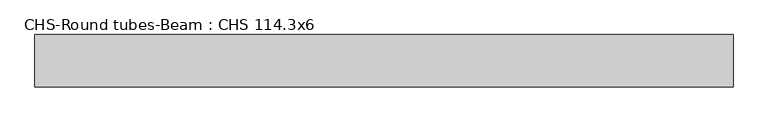
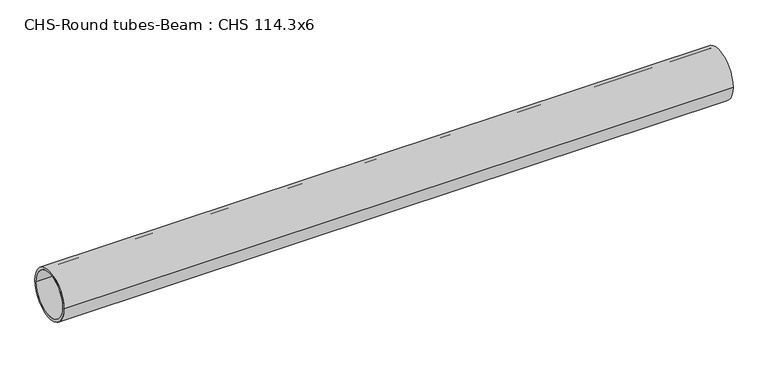
"""IFC4 building model written with IfcOpenShell, lengths in millimetres: beam geometry, CHS-Round tubes-Beam : CHS 114.3x6."""

import ifcopenshell
import ifcopenshell.guid

model = None  # the IFC model being written
_history = None  # IfcOwnerHistory: only IFC2X3 demands one
_inside = {}  # id of a spatial element -> (the spatial element, [elements in it])
_under = {}  # id of a project, library or spatial element -> (it, [spatial elements below it])
_declared = {}  # id of a project -> (the project, [libraries it declares])
_typed = {}  # id of a type object -> (the type object, [elements of that type])
_made_of = {}  # id of a material, layer set ... -> (it, [elements and type objects made of it])


def new_model(schema):
    """Start an empty IFC model of exactly this schema.

    Asked for "IFC4X3", IfcOpenShell would pick the latest addendum, in which some entities
    have other attributes; the version numbers below select the first issue.
    IFC2X3 requires an IfcOwnerHistory on every rooted entity: one is made here for all.
    """
    global model, _history
    if schema == "IFC4X3":
        model = ifcopenshell.file(schema_version=(4, 3, 0, 0))
    else:
        model = ifcopenshell.file(schema=schema)
    _inside.clear()
    _under.clear()
    _declared.clear()
    _typed.clear()
    _made_of.clear()
    _history = None
    if model.schema == "IFC2X3":
        org = make("IfcOrganization", Name="unknown")
        user = make(
            "IfcPersonAndOrganization",
            ThePerson=make("IfcPerson", FamilyName="unknown"),
            TheOrganization=org,
        )
        app = make(
            "IfcApplication",
            ApplicationDeveloper=org,
            Version="unknown",
            ApplicationFullName="unknown",
            ApplicationIdentifier="unknown",
        )
        _history = make(
            "IfcOwnerHistory",
            OwningUser=user,
            OwningApplication=app,
            ChangeAction="ADDED",
            CreationDate=0,
        )
    return model


def make(cls, **values):
    """One entity of the class cls with the attributes given. An attribute that is None is left unset."""
    return model.create_entity(
        cls, **{name: value for name, value in values.items() if value is not None}
    )


def rooted(cls, **values):
    """An entity with a GlobalId (a new one), such as an element, a storey or a relation."""
    return make(cls, GlobalId=ifcopenshell.guid.new(), OwnerHistory=_history, **values)


def si_unit(unit_type, name, prefix=None):
    """IfcSIUnit, for example si_unit("LENGTHUNIT", "METRE", prefix="MILLI")."""
    return make("IfcSIUnit", UnitType=unit_type, Prefix=prefix, Name=name)


def assignment(units):
    """IfcUnitAssignment: the units of a project."""
    return None if units is None else make("IfcUnitAssignment", Units=units)


def point(xyz):
    """IfcCartesianPoint."""
    return None if xyz is None else make("IfcCartesianPoint", Coordinates=xyz)


def direction(xyz):
    """IfcDirection."""
    return None if xyz is None else make("IfcDirection", DirectionRatios=xyz)


def frame(location, z_axis=None, x_axis=None):
    """IfcAxis2Placement3D, a coordinate frame: its origin and axes. An axis left out is left unset."""
    return make(
        "IfcAxis2Placement3D",
        Location=point(location),
        Axis=direction(z_axis),
        RefDirection=direction(x_axis),
    )


def frame_2d(location, x_axis=None):
    """IfcAxis2Placement2D, a coordinate frame in the plane: its origin and x axis."""
    return make(
        "IfcAxis2Placement2D", Location=point(location), RefDirection=direction(x_axis)
    )


def origin():
    """The frame at (0, 0, 0) with its axes left unset."""
    return frame((0.0, 0.0, 0.0))


def origin_2d():
    """The frame at (0, 0) in the plane with its x axis left unset."""
    return frame_2d((0.0, 0.0))


def place(relative_to, where):
    """IfcLocalPlacement: puts the frame where relative to a parent placement (None: the world)."""
    return make(
        "IfcLocalPlacement", PlacementRelTo=relative_to, RelativePlacement=where
    )


def context(
    kind, dimensions, precision=None, world=None, true_north=None, identifier=None
):
    """IfcGeometricRepresentationContext, for example the 3D "Model" context."""
    return make(
        "IfcGeometricRepresentationContext",
        ContextIdentifier=identifier,
        ContextType=kind,
        CoordinateSpaceDimension=dimensions,
        Precision=precision,
        WorldCoordinateSystem=world,
        TrueNorth=true_north,
    )


def project(units=None, contexts=None):
    """IfcProject with its units and contexts."""
    return rooted(
        "IfcProject",
        Name="project",
        RepresentationContexts=contexts,
        UnitsInContext=assignment(units),
    )


def spatial(cls, under=None, at=None, **own):
    """A site, building, storey or space (cls), placed at a placement, below another one or the project."""
    s = rooted(cls, ObjectPlacement=at, **own)
    if under is not None:
        _under.setdefault(under.id(), (under, []))[1].append(s)
    return s


def circle_curve(where, radius):
    """IfcCircle in the frame where."""
    return make("IfcCircle", Position=where, Radius=radius)


def trimmed(basis, trim1, trim2, sense, master):
    """IfcTrimmedCurve: the piece of a basis curve between two trims."""
    return make(
        "IfcTrimmedCurve",
        BasisCurve=basis,
        Trim1=trim1,
        Trim2=trim2,
        SenseAgreement=sense,
        MasterRepresentation=master,
    )


def segment(curve, same_sense, transition):
    """IfcCompositeCurveSegment."""
    return make(
        "IfcCompositeCurveSegment",
        Transition=transition,
        SameSense=same_sense,
        ParentCurve=curve,
    )


def composite_curve(segments, self_intersect=None):
    """IfcCompositeCurve: segments joined end to end."""
    return make("IfcCompositeCurve", Segments=segments, SelfIntersect=self_intersect)


def outline(outer, holes=None, kind="AREA"):
    """IfcArbitraryClosedProfileDef: a profile drawn as a closed curve; with holes, ...WithVoids."""
    if holes is None:
        return make("IfcArbitraryClosedProfileDef", ProfileType=kind, OuterCurve=outer)
    return make(
        "IfcArbitraryProfileDefWithVoids",
        ProfileType=kind,
        OuterCurve=outer,
        InnerCurves=holes,
    )


def extrude(swept, where, along, depth):
    """IfcExtrudedAreaSolid: the profile swept, set in the frame where, extruded along a direction by depth."""
    return make(
        "IfcExtrudedAreaSolid",
        SweptArea=swept,
        Position=where,
        ExtrudedDirection=direction(along),
        Depth=depth,
    )


def shape(context_of_items, identifier, shape_type, items):
    """IfcShapeRepresentation: the items that make up one representation, for example the "Body"."""
    return make(
        "IfcShapeRepresentation",
        ContextOfItems=context_of_items,
        RepresentationIdentifier=identifier,
        RepresentationType=shape_type,
        Items=items,
    )


def source(mapping_origin, context_of_items, identifier, shape_type, items):
    """IfcRepresentationMap: a shape defined once, which mapped items show again and again."""
    return make(
        "IfcRepresentationMap",
        MappingOrigin=mapping_origin,
        MappedRepresentation=shape(context_of_items, identifier, shape_type, items),
    )


def transform(
    local_origin,
    x_axis=None,
    y_axis=None,
    z_axis=None,
    scale=None,
    scale2=None,
    scale3=None,
    uniform=True,
):
    """IfcCartesianTransformationOperator3D, or its non-uniform kind. x_axis, y_axis, z_axis: its Axis1, 2, 3."""
    if uniform:
        return make(
            "IfcCartesianTransformationOperator3D",
            Axis1=direction(x_axis),
            Axis2=direction(y_axis),
            LocalOrigin=point(local_origin),
            Scale=scale,
            Axis3=direction(z_axis),
        )
    return make(
        "IfcCartesianTransformationOperator3DnonUniform",
        Axis1=direction(x_axis),
        Axis2=direction(y_axis),
        LocalOrigin=point(local_origin),
        Scale=scale,
        Axis3=direction(z_axis),
        Scale2=scale2,
        Scale3=scale3,
    )


def mapped(mapping_source, mapping_target):
    """IfcMappedItem: shows the shape of a source again, moved by a transform."""
    return make(
        "IfcMappedItem", MappingSource=mapping_source, MappingTarget=mapping_target
    )


def made_of(thing, what):
    """Note that an element or type object is made of a material, layer set ...; save() writes the relation."""
    if what is not None:
        _made_of.setdefault(what.id(), (what, []))[1].append(thing)
    return thing


def element(
    cls,
    number,
    at=None,
    inside=None,
    cuts=None,
    type_object=None,
    material=None,
    context=None,
    identifier="Body",
    shape_type=None,
    held_by="IfcProductDefinitionShape",
    body=None,
    shapes=None,
    **own,
):
    """One element of the class cls, such as IfcWall. Its Tag is "e" and its number.

    at: its placement. inside: the storey or other place that contains it. cuts: it is an
    opening in that element (IfcRelVoidsElement). A single representation is given by context,
    identifier, shape_type and body (its items); several are given by shapes. held_by: the class
    of the entity that holds the representations. save() writes the other relations.
    """
    e = rooted(cls, Tag="e%d" % number, ObjectPlacement=at, **own)
    if body is not None:
        shapes = [shape(context, identifier, shape_type, body)]
    if shapes is not None:
        e.Representation = make(held_by, Representations=shapes)
    if inside is not None:
        _inside.setdefault(inside.id(), (inside, []))[1].append(e)
    if cuts is not None:
        rooted(
            "IfcRelVoidsElement", RelatingBuildingElement=cuts, RelatedOpeningElement=e
        )
    if type_object is not None:
        _typed.setdefault(type_object.id(), (type_object, []))[1].append(e)
    return made_of(e, material)


def aggregate(whole, parts):
    """IfcRelAggregates: a whole, such as a stair, and the parts it consists of."""
    return rooted("IfcRelAggregates", RelatingObject=whole, RelatedObjects=parts)


def save(model, path):
    """Write the relations noted so far, then the file.

    IfcRelAggregates (storeys below a building ...), IfcRelContainedInSpatialStructure (elements
    in a storey), IfcRelDefinesByType, IfcRelAssociatesMaterial and IfcRelDeclares: one each for
    every whole, place, type object, material and project.
    """
    for whole, parts in _under.values():
        aggregate(whole, parts)
    for where, things in _inside.values():
        rooted(
            "IfcRelContainedInSpatialStructure",
            RelatedElements=things,
            RelatingStructure=where,
        )
    for kind, things in _typed.values():
        rooted("IfcRelDefinesByType", RelatedObjects=things, RelatingType=kind)
    for what, things in _made_of.values():
        rooted("IfcRelAssociatesMaterial", RelatedObjects=things, RelatingMaterial=what)
    for by, libraries in _declared.values():
        rooted("IfcRelDeclares", RelatingContext=by, RelatedDefinitions=libraries)
    model.write(path)


def chs_round_tubes_beam_chs_114_3x6_b80f710a(model_context):
    return source(origin(), model_context, "Body", "SweptSolid", [
        extrude(outline(composite_curve([segment(trimmed(circle_curve(origin_2d(), 57.15), [point((57.15, 0.0))], [point((-57.15, 0.0))], False, "CARTESIAN"), True, "CONTINUOUS"), segment(trimmed(circle_curve(origin_2d(), 57.15), [point((-57.15, 0.0))], [point((57.15, 0.0))], False, "CARTESIAN"), True, "CONTINUOUS")], self_intersect=False), holes=[composite_curve([segment(trimmed(circle_curve(origin_2d(), 51.15), [point((51.15, 0.0))], [point((-51.15, 0.0))], True, "CARTESIAN"), True, "CONTINUOUS"), segment(trimmed(circle_curve(origin_2d(), 51.15), [point((-51.15, 0.0))], [point((51.15, 0.0))], True, "CARTESIAN"), True, "CONTINUOUS")], self_intersect=False)]), frame((-776.5708594, 0.0, 0.0), z_axis=(1.0, 0.0, 0.0), x_axis=(0.0, 1.0, 0.0)), (0.0, 0.0, 1.0), 1526.8754874),
    ])


if __name__ == "__main__":
    model = new_model("IFC4")
    model_context = context("Model", 3, world=origin())
    ifc_project = project(units=[si_unit("LENGTHUNIT", "METRE", prefix="MILLI")], contexts=[model_context])
    site = spatial("IfcSite", under=ifc_project)
    building = spatial("IfcBuilding", under=site)
    placement = place(None, origin())
    chs_round_tubes_beam_chs_114_3x6_shape = chs_round_tubes_beam_chs_114_3x6_b80f710a(model_context)
    element("IfcBeam", 1, ObjectType="CHS-Round tubes-Beam : CHS 114.3x6", at=placement, inside=building, context=model_context, shape_type="MappedRepresentation", body=[
        mapped(chs_round_tubes_beam_chs_114_3x6_shape, transform((0.0, 0.0, 0.0), x_axis=(1.0, 0.0, 0.0), y_axis=(0.0, 1.0, 0.0), z_axis=(0.0, 0.0, 1.0))),
    ])
    save(model, "model.ifc")
